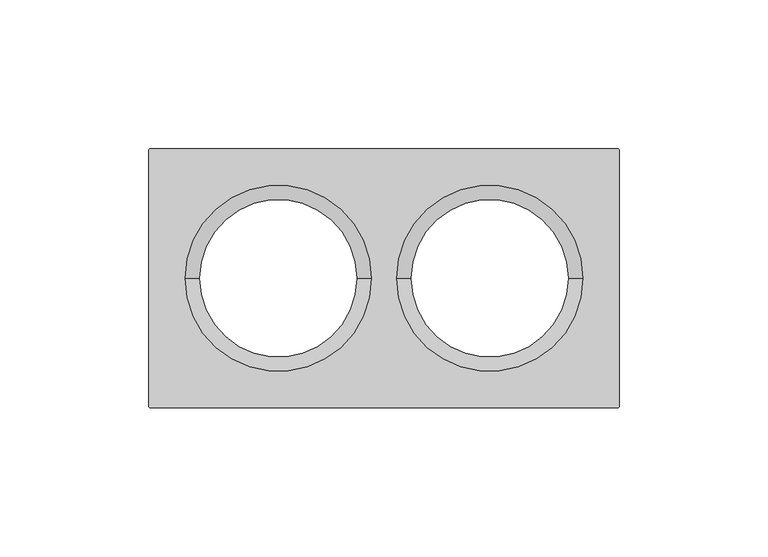
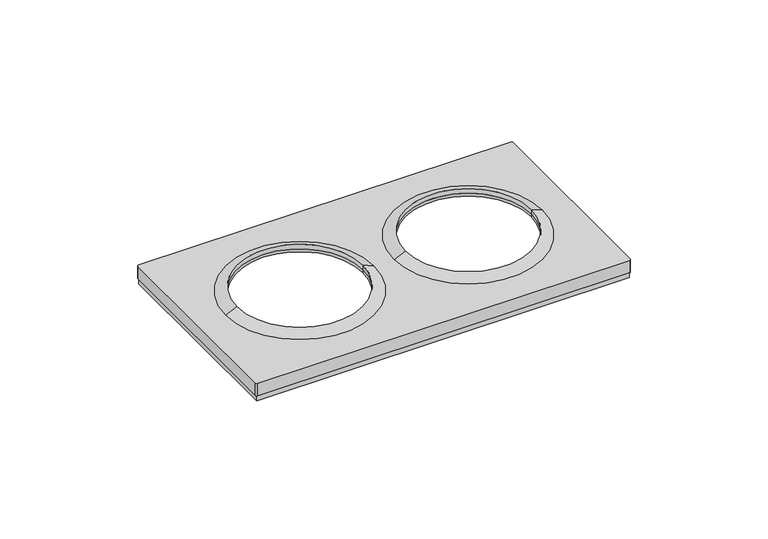
"""IFC4 building model written with IfcOpenShell, lengths in millimetres: proxy geometry."""

from ifc_helpers import new_model, si_unit, frame, origin, place, context, project, spatial, polyline, circle_curve, source, transform, mapped, element, save
from ifc_brep_helpers import plane_surface, cylinder_surface, revolved_surface, advanced_brep


def electrical_fixtures_3319271e(model_context):
    return source(origin(), model_context, "Body", "AdvancedBrep", [
        advanced_brep(
        [(-78.5, -43.0, 0.0), (-78.5, 43.0, 0.0), (78.5, 43.0, 0.0), (78.5, -43.0, 0.0), (-78.0, -42.5, 0.0), (78.0, -42.5, 0.0), (78.0, 42.5, 0.0), (-78.0, 42.5, 0.0), (78.5, -43.0, 2.5), (-78.5, -43.0, 2.5), (78.5, 43.0, 2.5), (-78.5, 43.0, 2.5), (-9.0, 0.0, 6.7956384), (-9.0, 0.0, 8.0076008), (-62.0, 0.0, 8.0076008), (-62.0, 0.0, 6.7956384), (-79.0, -42.9369707, 8.0076008), (-78.4369707, -43.5, 8.0076008), (78.4369707, -43.5, 8.0076008), (79.0, -42.9369707, 8.0076008), (79.0, 42.9369707, 8.0076008), (78.4369707, 43.5, 8.0076008), (-78.4369707, 43.5, 8.0076008), (-79.0, 42.9369707, 8.0076008), (-66.7841563, 0.0, 8.0076008), (-4.2158437, 0.0, 8.0076008), (4.2158437, 0.0, 8.0076008), (66.7841563, 0.0, 8.0076008), (-79.0, -42.9369707, 2.5), (-79.0, 42.9369707, 2.5), (-78.4369707, 43.5, 2.5), (78.4369707, 43.5, 2.5), (79.0, 42.9369707, 2.5), (79.0, -42.9369707, 2.5), (78.4369707, -43.5, 2.5), (-78.4369707, -43.5, 2.5), (-62.0, 0.0, 10.1), (-9.0, 0.0, 10.1), (78.0, 42.5, 6.7956384), (78.0, -42.5, 6.7956384), (-78.0, -42.5, 6.7956384), (-78.0, 42.5, 6.7956384), (62.0, 0.0, 6.7956384), (9.0, 0.0, 6.7956384), (62.0, 0.0, 8.0076008), (9.0, 0.0, 8.0076008), (9.0, 0.0, 10.1), (62.0, 0.0, 10.1)],
        [
            (0, 1),
            (1, 2),
            (2, 3),
            (3, 0),
            (4, 5),
            (5, 6),
            (6, 7),
            (7, 4),
            (3, 8),
            (8, 9),
            (9, 0),
            (2, 10),
            (10, 8),
            (1, 11),
            (11, 10),
            (9, 11),
            (12, 13),
            (13, 14, circle_curve(frame((-35.5, 0.0, 8.0076008), z_axis=(0.0, 0.0, 1.0), x_axis=(-1.0, 0.0, 0.0)), 26.5)),
            (14, 15),
            (15, 12, circle_curve(frame((-35.5, 0.0, 6.7956384), z_axis=(0.0, 0.0, -1.0), x_axis=(-1.0, 0.0, 0.0)), 26.5)),
            (12, 15, circle_curve(frame((-35.5, 0.0, 6.7956384), z_axis=(0.0, 0.0, -1.0), x_axis=(-1.0, 0.0, 0.0)), 26.5)),
            (14, 13, circle_curve(frame((-35.5, 0.0, 8.0076008), z_axis=(0.0, 0.0, 1.0), x_axis=(-1.0, 0.0, 0.0)), 26.5)),
            (16, 17, circle_curve(frame((-78.4369707, -42.9369707, 8.0076008), z_axis=(0.0, 0.0, 1.0), x_axis=(1.0, 0.0, 0.0)), 0.5630293)),
            (17, 18),
            (18, 19, circle_curve(frame((78.4369707, -42.9369707, 8.0076008), z_axis=(0.0, 0.0, 1.0), x_axis=(-1.0, 0.0, 0.0)), 0.5630293)),
            (19, 20),
            (20, 21, circle_curve(frame((78.4369707, 42.9369707, 8.0076008), z_axis=(0.0, 0.0, 1.0), x_axis=(-1.0, 0.0, 0.0)), 0.5630293)),
            (21, 22),
            (22, 23, circle_curve(frame((-78.4369707, 42.9369707, 8.0076008), z_axis=(0.0, 0.0, 1.0), x_axis=(1.0, 0.0, 0.0)), 0.5630293)),
            (23, 16),
            (24, 25, circle_curve(frame((-35.5, 0.0, 8.0076008), z_axis=(0.0, 0.0, -1.0), x_axis=(-1.0, 0.0, 0.0)), 31.2841563)),
            (25, 24, circle_curve(frame((-35.5, 0.0, 8.0076008), z_axis=(0.0, 0.0, -1.0), x_axis=(-1.0, 0.0, 0.0)), 31.2841563)),
            (26, 27, circle_curve(frame((35.5, 0.0, 8.0076008), z_axis=(0.0, 0.0, -1.0), x_axis=(-1.0, 0.0, 0.0)), 31.2841563)),
            (27, 26, circle_curve(frame((35.5, 0.0, 8.0076008), z_axis=(0.0, 0.0, -1.0), x_axis=(-1.0, 0.0, 0.0)), 31.2841563)),
            (28, 29),
            (29, 30, circle_curve(frame((-78.4369707, 42.9369707, 2.5), z_axis=(0.0, 0.0, -1.0), x_axis=(1.0, 0.0, 0.0)), 0.5630293)),
            (30, 31),
            (31, 32, circle_curve(frame((78.4369707, 42.9369707, 2.5), z_axis=(0.0, 0.0, -1.0), x_axis=(-1.0, 0.0, 0.0)), 0.5630293)),
            (32, 33),
            (33, 34, circle_curve(frame((78.4369707, -42.9369707, 2.5), z_axis=(0.0, 0.0, -1.0), x_axis=(-1.0, 0.0, 0.0)), 0.5630293)),
            (34, 35),
            (35, 28, circle_curve(frame((-78.4369707, -42.9369707, 2.5), z_axis=(0.0, 0.0, -1.0), x_axis=(1.0, 0.0, 0.0)), 0.5630293)),
            (16, 28),
            (35, 17),
            (34, 18),
            (33, 19),
            (32, 20),
            (31, 21),
            (30, 22),
            (29, 23),
            (24, 36),
            (36, 37, circle_curve(frame((-35.5, 0.0, 10.1), z_axis=(0.0, 0.0, -1.0), x_axis=(-1.0, 0.0, 0.0)), 26.5)),
            (37, 25),
            (37, 36, circle_curve(frame((-35.5, 0.0, 10.1), z_axis=(0.0, 0.0, -1.0), x_axis=(-1.0, 0.0, 0.0)), 26.5)),
            (36, 14),
            (13, 37),
            (38, 39),
            (39, 40),
            (40, 41),
            (41, 38),
            (42, 43, circle_curve(frame((35.5, 0.0, 6.7956384), z_axis=(0.0, 0.0, 1.0), x_axis=(-1.0, 0.0, 0.0)), 26.5)),
            (43, 42, circle_curve(frame((35.5, 0.0, 6.7956384), z_axis=(0.0, 0.0, 1.0), x_axis=(-1.0, 0.0, 0.0)), 26.5)),
            (41, 7),
            (6, 38),
            (40, 4),
            (39, 5),
            (42, 44),
            (44, 45, circle_curve(frame((35.5, 0.0, 8.0076008), z_axis=(0.0, 0.0, 1.0), x_axis=(-1.0, 0.0, 0.0)), 26.5)),
            (45, 43),
            (45, 44, circle_curve(frame((35.5, 0.0, 8.0076008), z_axis=(0.0, 0.0, 1.0), x_axis=(-1.0, 0.0, 0.0)), 26.5)),
            (26, 46),
            (46, 47, circle_curve(frame((35.5, 0.0, 10.1), z_axis=(0.0, 0.0, -1.0), x_axis=(-1.0, 0.0, 0.0)), 26.5)),
            (47, 27),
            (47, 46, circle_curve(frame((35.5, 0.0, 10.1), z_axis=(0.0, 0.0, -1.0), x_axis=(-1.0, 0.0, 0.0)), 26.5)),
            (46, 45),
            (44, 47),
        ],
        [
            plane_surface(frame((-43.0003046, -43.0, 0.0), z_axis=(0.0, 0.0, -1.0), x_axis=(-1.0, 0.0, 0.0))),
            plane_surface(frame((-78.5, -43.0, 2.5), z_axis=(0.0, -1.0, 0.0), x_axis=(0.0, 0.0, -1.0))),
            plane_surface(frame((78.5, -43.0, 2.5), z_axis=(1.0, 0.0, 0.0), x_axis=(0.0, 0.0, -1.0))),
            plane_surface(frame((78.5, 43.0, 2.5), z_axis=(0.0, 1.0, 0.0), x_axis=(0.0, 0.0, -1.0))),
            plane_surface(frame((-78.5, 43.0, 2.5), z_axis=(-1.0, 0.0, 0.0), x_axis=(0.0, 0.0, -1.0))),
            revolved_surface(polyline([(-62.0, 0.0, 8.0076008), (-62.0, 0.0, 6.7956384)]), (-35.5, 0.0, 0.0), (0.0, 0.0, 1.0)),
            plane_surface(frame((-77.8739414, -42.9369707, 8.0076008), z_axis=(0.0, 0.0, 1.0), x_axis=(0.0, 1.0, 0.0))),
            plane_surface(frame((-77.8739414, -42.9369707, 2.5), z_axis=(0.0, 0.0, -1.0), x_axis=(0.0, -1.0, 0.0))),
            cylinder_surface(frame((-78.4369707, -42.9369707, 2.5), z_axis=(0.0, 0.0, 1.0), x_axis=(1.0, 0.0, 0.0)), 0.5630293),
            plane_surface(frame((-78.4369707, -43.5, 8.0076008), z_axis=(0.0, -1.0, 0.0), x_axis=(0.0, 0.0, -1.0))),
            cylinder_surface(frame((78.4369707, -42.9369707, 2.5), z_axis=(0.0, 0.0, 1.0), x_axis=(-1.0, 0.0, 0.0)), 0.5630293),
            plane_surface(frame((79.0, -42.9369707, 8.0076008), z_axis=(1.0, 0.0, 0.0), x_axis=(0.0, 0.0, -1.0))),
            cylinder_surface(frame((78.4369707, 42.9369707, 2.5), z_axis=(0.0, 0.0, 1.0), x_axis=(-1.0, 0.0, 0.0)), 0.5630293),
            plane_surface(frame((78.4369707, 43.5, 8.0076008), z_axis=(0.0, 1.0, 0.0), x_axis=(0.0, 0.0, -1.0))),
            cylinder_surface(frame((-78.4369707, 42.9369707, 2.5), z_axis=(0.0, 0.0, 1.0), x_axis=(1.0, 0.0, 0.0)), 0.5630293),
            plane_surface(frame((-79.0, 42.9369707, 8.0076008), z_axis=(-1.0, 0.0, 0.0), x_axis=(0.0, 0.0, -1.0))),
            revolved_surface(polyline([(-62.0, 0.0, 10.1), (-66.7841563, 0.0, 8.0076008)]), (-35.5, 0.0, 2609.0581012), (0.0, 0.0, -1.0)),
            revolved_surface(polyline([(-62.0, 0.0, 8.007600800000091), (-62.0, 0.0, 10.099999999999909)]), (-35.5, 0.0, 2609.0581012), (0.0, 0.0, -1.0)),
            plane_surface(frame((-42.5, 42.5, 6.7956384), z_axis=(0.0, 0.0, -1.0), x_axis=(-1.0, 0.0, 0.0))),
            plane_surface(frame((78.0, 42.5, 6.7956384), z_axis=(0.0, -1.0, 0.0), x_axis=(0.0, 0.0, -1.0))),
            plane_surface(frame((-78.0, 42.5, 6.7956384), z_axis=(1.0, 0.0, 0.0), x_axis=(0.0, 0.0, -1.0))),
            plane_surface(frame((-78.0, -42.5, 6.7956384), z_axis=(0.0, 1.0, 0.0), x_axis=(0.0, 0.0, -1.0))),
            plane_surface(frame((78.0, -42.5, 6.7956384), z_axis=(-1.0, 0.0, 0.0), x_axis=(0.0, 0.0, -1.0))),
            revolved_surface(polyline([(9.0, 0.0, 8.0076008), (9.0, 0.0, 6.7956384)]), (35.5, 0.0, 0.0), (0.0, 0.0, 1.0)),
            revolved_surface(polyline([(9.0, 0.0, 10.1), (4.2158437, 0.0, 8.0076008)]), (35.5, 0.0, 2609.0581012), (0.0, 0.0, -1.0)),
            revolved_surface(polyline([(9.0, 0.0, 8.007600800000091), (9.0, 0.0, 10.099999999999909)]), (35.5, 0.0, 2609.0581012), (0.0, 0.0, -1.0)),
        ],
        [
            (0, [[1, 2, 3, 4], [5, 6, 7, 8]]),
            (1, [[-4, 9, 10, 11]]),
            (2, [[-3, 12, 13, -9]]),
            (3, [[-2, 14, 15, -12]]),
            (4, [[-1, -11, 16, -14]]),
            (5, [[17, 18, 19, 20]]),
            (5, [[-17, 21, -19, 22]]),
            (6, [[23, 24, 25, 26, 27, 28, 29, 30], [31, 32], [33, 34]]),
            (7, [[35, 36, 37, 38, 39, 40, 41, 42], [-10, -13, -15, -16]]),
            (8, [[-23, 43, -42, 44]]),
            (9, [[-24, -44, -41, 45]]),
            (10, [[-25, -45, -40, 46]]),
            (11, [[-26, -46, -39, 47]]),
            (12, [[-27, -47, -38, 48]]),
            (13, [[-28, -48, -37, 49]]),
            (14, [[-29, -49, -36, 50]]),
            (15, [[-30, -50, -35, -43]]),
            (16, [[51, 52, 53, -31]]),
            (16, [[-51, -32, -53, 54]]),
            (17, [[-52, 55, -18, 56]]),
            (17, [[-54, -56, -22, -55]]),
            (18, [[57, 58, 59, 60], [-20, -21], [61, 62]]),
            (19, [[-60, 63, -7, 64]]),
            (20, [[-59, 65, -8, -63]]),
            (21, [[-58, 66, -5, -65]]),
            (22, [[-57, -64, -6, -66]]),
            (23, [[67, 68, 69, -61]]),
            (23, [[-67, -62, -69, 70]]),
            (24, [[71, 72, 73, -33]]),
            (24, [[-71, -34, -73, 74]]),
            (25, [[-72, 75, -68, 76]]),
            (25, [[-74, -76, -70, -75]]),
        ],
    ),
    ])


if __name__ == "__main__":
    model = new_model("IFC4")
    model_context = context("Model", 3, world=origin())
    ifc_project = project(units=[si_unit("LENGTHUNIT", "METRE", prefix="MILLI")], contexts=[model_context])
    site = spatial("IfcSite", under=ifc_project)
    building = spatial("IfcBuilding", under=site)
    placement = place(None, origin())
    electrical_fixtures_shape = electrical_fixtures_3319271e(model_context)
    element("IfcBuildingElementProxy", 1, Name="Electrical Fixtures", at=placement, inside=building, context=model_context, shape_type="MappedRepresentation", body=[
        mapped(electrical_fixtures_shape, transform((0.0, 0.0, 0.0), x_axis=(1.0, 0.0, 0.0), y_axis=(0.0, 1.0, 0.0), z_axis=(0.0, 0.0, 1.0))),
    ])
    save(model, "model.ifc")
